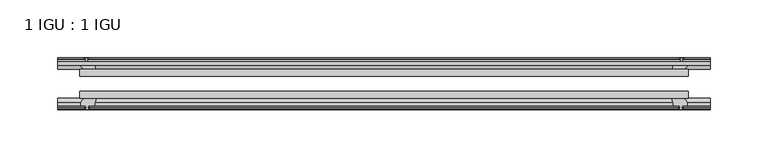
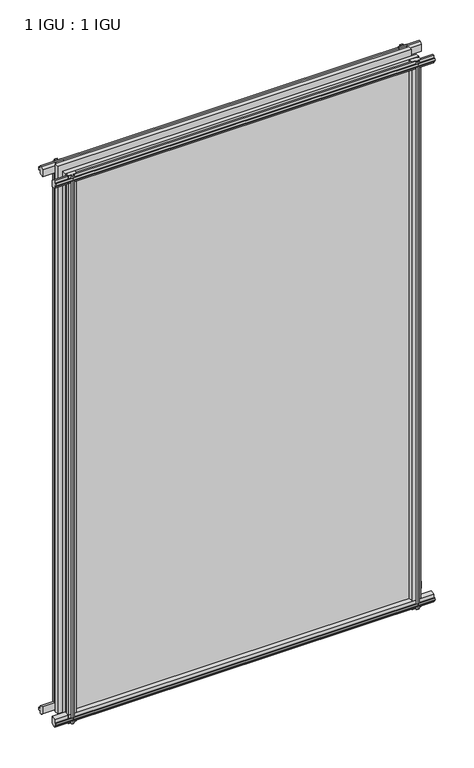
"""IFC4 building model written with IfcOpenShell, lengths in millimetres: plate geometry, 1 IGU : 1 IGU."""

from ifc_helpers import new_model, si_unit, frame, origin, place, context, project, spatial, polyline, outline, extrude, source, transform, mapped, element, save


def plate_1_igu_1_igu_2b65b774(model_context):
    return source(origin(), model_context, "Body", "SweptSolid", [
        extrude(outline(polyline([(-263.5317471, -38.6468937), (263.5317471, -38.6468937), (263.5317471, -44.9460938), (-263.5317471, -44.9460938), (-263.5317471, -38.6468937)])), frame((0.0, 0.0, -12.7), z_axis=(0.0, 0.0, 1.0), x_axis=(1.0, 0.0, 0.0)), (0.0, 0.0, 1.0), 863.5872996),
        extrude(outline(polyline([(-263.5317471, -19.5460937), (263.5317471, -19.5460937), (263.5317471, -25.8960938), (-263.5317471, -25.8960938), (-263.5317471, -19.5460937)])), frame((0.0, 0.0, -12.7), z_axis=(0.0, 0.0, 1.0), x_axis=(1.0, 0.0, 0.0)), (0.0, 0.0, 1.0), 863.5872996),
        extrude(outline(polyline([(-44.9460937, 1.7177181), (-44.9460937, -9.1036578), (-48.3496937, -11.938), (-51.2960937, -11.938), (-51.2960937, -7.493), (-53.6762907, -7.112), (-53.2163575, -8.5275291), (-54.0175717, -8.5275291), (-54.7250937, -6.35), (-54.0175717, -4.1724709), (-53.2163575, -4.1724709), (-53.6762907, -5.588), (-51.2960937, -5.207), (-51.2960937, 0.0), (-44.9460937, 1.7177181)])), frame((-282.5817471, 0.0, 0.0), z_axis=(1.0, 0.0, 0.0), x_axis=(0.0, 1.0, 0.0)), (0.0, 0.0, 1.0), 565.1634941),
        extrude(outline(polyline([(-13.1960937, -12.4587), (-16.1424937, -12.4587), (-19.5460937, -9.6243578), (-19.5460937, 1.1970181), (-13.1960937, -0.5207), (-13.1960937, -5.7277), (-10.8158968, -6.1087), (-11.27583, -4.6931709), (-10.4746158, -4.6931709), (-9.7670937, -6.8707), (-10.4746158, -9.0482291), (-11.27583, -9.0482291), (-10.8158968, -7.6327), (-13.1960937, -8.0137), (-13.1960937, -12.4587)])), frame((-282.5817471, 0.0, 0.0), z_axis=(1.0, 0.0, 0.0), x_axis=(0.0, 1.0, 0.0)), (0.0, 0.0, 1.0), 565.1634941),
        extrude(outline(polyline([(-51.2960937, 850.1252996), (-48.3496937, 850.1252996), (-44.9460937, 847.2909574), (-44.9460937, 836.4695815), (-51.2960937, 838.1872996), (-51.2960937, 843.3942996), (-53.6762907, 843.7752996), (-53.2163575, 842.3597706), (-54.0175717, 842.3597706), (-54.7250937, 844.5372996), (-54.0175717, 846.7148287), (-53.2163575, 846.7148287), (-53.6762907, 845.2992996), (-51.2960937, 845.6802996), (-51.2960937, 850.1252996)])), frame((-282.5817471, 0.0, 0.0), z_axis=(1.0, 0.0, 0.0), x_axis=(0.0, 1.0, 0.0)), (0.0, 0.0, 1.0), 565.1634941),
        extrude(outline(polyline([(-19.5460937, 836.9902815), (-19.5460937, 847.8116574), (-16.1424937, 850.6459996), (-13.1960937, 850.6459996), (-13.1960937, 846.2009996), (-10.8158968, 845.8199996), (-11.27583, 847.2355287), (-10.4746158, 847.2355287), (-9.7670937, 845.0579996), (-10.4746158, 842.8804706), (-11.27583, 842.8804706), (-10.8158968, 844.2959996), (-13.1960937, 843.9149996), (-13.1960937, 838.7079996), (-19.5460937, 836.9902815)])), frame((-282.5817471, 0.0, 0.0), z_axis=(1.0, 0.0, 0.0), x_axis=(0.0, 1.0, 0.0)), (0.0, 0.0, 1.0), 565.1634941),
        extrude(outline(polyline([(249.634729, -19.5460938), (251.3524471, -13.1960938), (256.5594471, -13.1960938), (256.9404471, -10.8158968), (255.524918, -11.27583), (255.524918, -10.4746158), (257.7024471, -9.7670938), (259.8799761, -10.4746158), (259.8799761, -11.27583), (258.4644471, -10.8158968), (258.8454471, -13.1960938), (263.2904471, -13.1960938), (263.2904471, -16.1424938), (260.4561049, -19.5460938), (249.634729, -19.5460938)])), frame((0.0, 0.0, -12.7), z_axis=(0.0, 0.0, 1.0), x_axis=(1.0, 0.0, 0.0)), (0.0, 0.0, 1.0), 863.5872998),
        extrude(outline(polyline([(249.114029, -44.9460938), (259.9354049, -44.9460938), (262.7697471, -48.3496938), (262.7697471, -51.2960938), (258.3247471, -51.2960938), (257.9437471, -53.6762907), (259.3592761, -53.2163575), (259.3592761, -54.0175717), (257.1817471, -54.7250938), (255.004218, -54.0175717), (255.004218, -53.2163575), (256.4197471, -53.6762907), (256.0387471, -51.2960938), (250.8317471, -51.2960938), (249.114029, -44.9460938)])), frame((0.0, 0.0, -12.7), z_axis=(0.0, 0.0, 1.0), x_axis=(1.0, 0.0, 0.0)), (0.0, 0.0, 1.0), 863.5872998),
        extrude(outline(polyline([(-257.7024471, -9.7670937), (-255.524918, -10.4746158), (-255.524918, -11.27583), (-256.9404471, -10.8158968), (-256.5594471, -13.1960937), (-251.3524471, -13.1960937), (-249.634729, -19.5460937), (-260.4561049, -19.5460937), (-263.2904471, -16.1424937), (-263.2904471, -13.1960937), (-258.8454471, -13.1960937), (-258.4644471, -10.8158968), (-259.8799761, -11.27583), (-259.8799761, -10.4746158), (-257.7024471, -9.7670937)])), frame((0.0, 0.0, -12.7), z_axis=(0.0, 0.0, 1.0), x_axis=(1.0, 0.0, 0.0)), (0.0, 0.0, 1.0), 863.5872998),
        extrude(outline(polyline([(-262.7697471, -48.3496937), (-259.9354049, -44.9460937), (-249.114029, -44.9460937), (-250.8317471, -51.2960937), (-256.0387471, -51.2960937), (-256.4197471, -53.6762907), (-255.004218, -53.2163575), (-255.004218, -54.0175717), (-257.1817471, -54.7250937), (-259.3592761, -54.0175717), (-259.3592761, -53.2163575), (-257.9437471, -53.6762907), (-258.3247471, -51.2960937), (-262.7697471, -51.2960937), (-262.7697471, -48.3496937)])), frame((0.0, 0.0, -12.7), z_axis=(0.0, 0.0, 1.0), x_axis=(1.0, 0.0, 0.0)), (0.0, 0.0, 1.0), 863.5872998),
    ])


if __name__ == "__main__":
    model = new_model("IFC4")
    model_context = context("Model", 3, world=origin())
    ifc_project = project(units=[si_unit("LENGTHUNIT", "METRE", prefix="MILLI")], contexts=[model_context])
    site = spatial("IfcSite", under=ifc_project)
    building = spatial("IfcBuilding", under=site)
    placement = place(None, origin())
    plate_1_igu_1_igu_shape = plate_1_igu_1_igu_2b65b774(model_context)
    element("IfcPlate", 1, ObjectType="1 IGU : 1 IGU", at=placement, inside=building, context=model_context, shape_type="MappedRepresentation", body=[
        mapped(plate_1_igu_1_igu_shape, transform((0.0, 0.0, 0.0), x_axis=(1.0, 0.0, 0.0), y_axis=(0.0, 1.0, 0.0), z_axis=(0.0, 0.0, 1.0))),
    ])
    save(model, "model.ifc")
